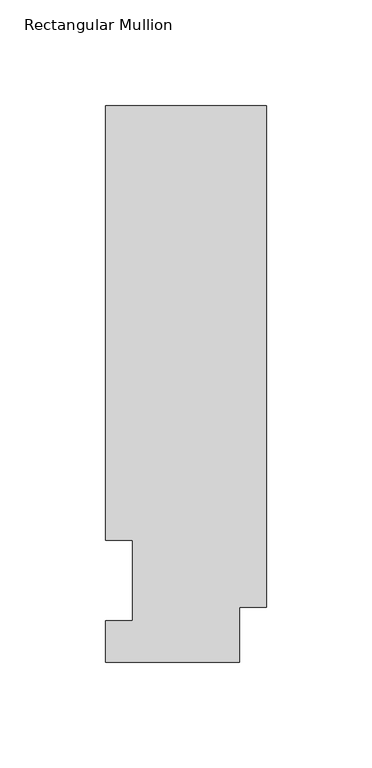
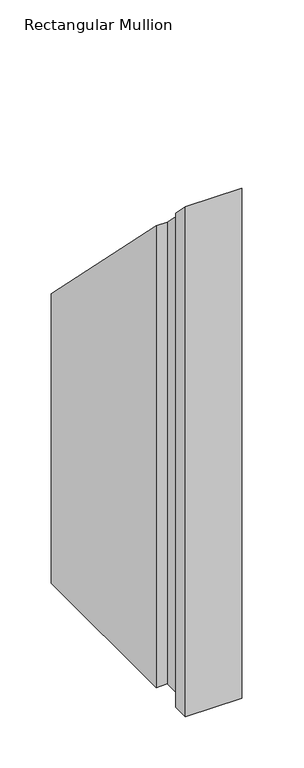
"""IFC4 building model written with IfcOpenShell, lengths in millimetres: member geometry, Rectangular Mullion."""

from ifc_helpers import new_model, si_unit, origin, place, context, project, spatial, faceted_brep, source, transform, mapped, element, save


def rectangular_mullion_1f83d2dc(model_context):
    return source(origin(), model_context, "Body", "Brep", [
        faceted_brep([(0.0, 263.2336938, -609.56825), (0.0, 25.8955957, -609.56825), (-12.7, 25.8955957, -609.56825), (-12.7, 0.0134938, -609.56825), (-76.2, 0.0134938, -609.56825), (-76.2, 19.5460938, -609.56825), (-63.5, 19.5460938, -609.56825), (-63.5, 57.6460938, -609.56825), (-76.2, 57.6460937, -609.56825), (-76.2, 263.2336938, -609.56825), (-76.2, 263.2336938, -263.2336937), (0.0, 263.2336938, -263.2336937), (-76.2, 57.6460937, -57.6460937), (-63.5, 57.6460937, -57.6460937), (-63.5, 19.5460938, -19.5460938), (-76.2, 19.5460938, -19.5460938), (-76.2, 0.0134938, -0.0134938), (-12.7, 0.0134938, -0.0134938), (-12.7, 25.8955957, -25.8955957), (0.0, 25.8955957, -25.8955957)], [[[0, 1, 2, 3, 4, 5, 6, 7, 8, 9]], [[10, 11, 0, 9]], [[12, 10, 9, 8]], [[13, 12, 8, 7]], [[14, 13, 7, 6]], [[15, 14, 6, 5]], [[16, 15, 5, 4]], [[17, 16, 4, 3]], [[18, 17, 3, 2]], [[19, 18, 2, 1]], [[11, 19, 1, 0]], [[11, 10, 12, 13, 14, 15, 16, 17, 18, 19]]]),
    ])


if __name__ == "__main__":
    model = new_model("IFC4")
    model_context = context("Model", 3, world=origin())
    ifc_project = project(units=[si_unit("LENGTHUNIT", "METRE", prefix="MILLI")], contexts=[model_context])
    site = spatial("IfcSite", under=ifc_project)
    building = spatial("IfcBuilding", under=site)
    placement = place(None, origin())
    rectangular_mullion_shape = rectangular_mullion_1f83d2dc(model_context)
    element("IfcMember", 1, ObjectType="Rectangular Mullion", at=placement, inside=building, context=model_context, shape_type="MappedRepresentation", body=[
        mapped(rectangular_mullion_shape, transform((0.0, 0.0, 0.0), x_axis=(1.0, 0.0, 0.0), y_axis=(0.0, 1.0, 0.0), z_axis=(0.0, 0.0, 1.0))),
    ])
    save(model, "model.ifc")
